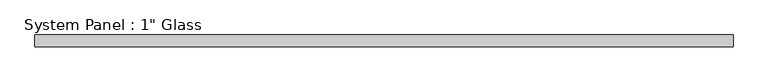
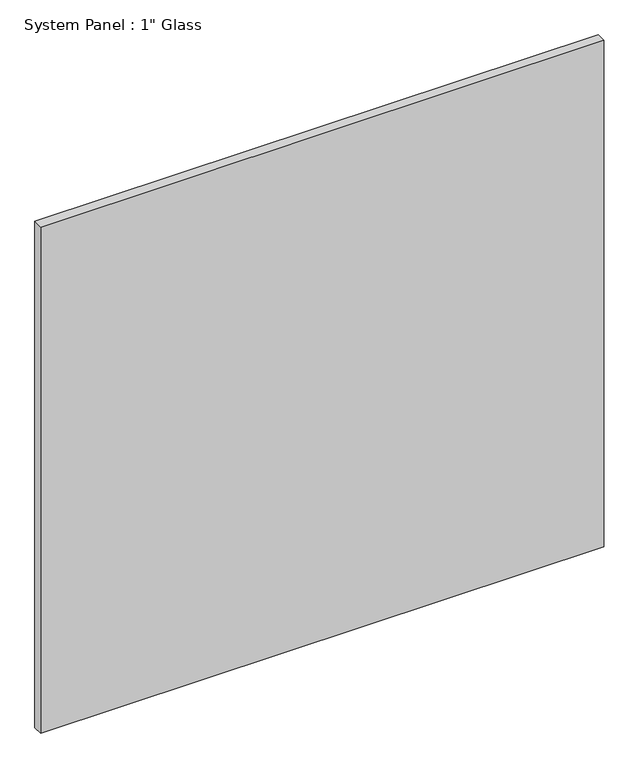
"""IFC4 building model written with IfcOpenShell, lengths in millimetres: plate geometry."""

from ifc_helpers import new_model, si_unit, origin, origin_with_axes, place, context, project, spatial, polyline, outline, extrude, source, transform, mapped, element, save


def plate_11a43275(model_context):
    return source(origin(), model_context, "Body", "SweptSolid", [
        extrude(outline(polyline([(735.5930865, -12.7), (-735.5930865, -12.7), (-735.5930865, 12.7), (735.5930865, 12.7), (735.5930865, -12.7)])), origin_with_axes(), (0.0, 0.0, 1.0), 1397.5261731),
    ])


if __name__ == "__main__":
    model = new_model("IFC4")
    model_context = context("Model", 3, world=origin())
    ifc_project = project(units=[si_unit("LENGTHUNIT", "METRE", prefix="MILLI")], contexts=[model_context])
    site = spatial("IfcSite", under=ifc_project)
    building = spatial("IfcBuilding", under=site)
    placement = place(None, origin())
    plate_shape = plate_11a43275(model_context)
    element("IfcPlate", 1, ObjectType="System Panel : 1\" Glass", at=placement, inside=building, context=model_context, shape_type="MappedRepresentation", body=[
        mapped(plate_shape, transform((0.0, 0.0, 0.0), x_axis=(1.0, 0.0, 0.0), y_axis=(0.0, 1.0, 0.0), z_axis=(0.0, 0.0, 1.0))),
    ])
    save(model, "model.ifc")
